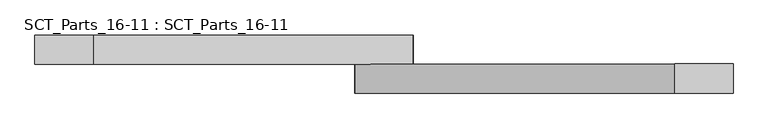
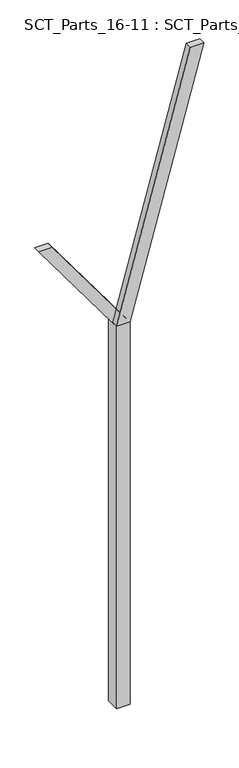
"""IFC4 building model written with IfcOpenShell, lengths in millimetres: proxy geometry, SCT_Parts_16-11 : SCT_Parts_16-11."""

import ifcopenshell
import ifcopenshell.guid

model = None  # the IFC model being written
_history = None  # IfcOwnerHistory: only IFC2X3 demands one
_inside = {}  # id of a spatial element -> (the spatial element, [elements in it])
_under = {}  # id of a project, library or spatial element -> (it, [spatial elements below it])
_declared = {}  # id of a project -> (the project, [libraries it declares])
_typed = {}  # id of a type object -> (the type object, [elements of that type])
_made_of = {}  # id of a material, layer set ... -> (it, [elements and type objects made of it])


def new_model(schema):
    """Start an empty IFC model of exactly this schema.

    Asked for "IFC4X3", IfcOpenShell would pick the latest addendum, in which some entities
    have other attributes; the version numbers below select the first issue.
    IFC2X3 requires an IfcOwnerHistory on every rooted entity: one is made here for all.
    """
    global model, _history
    if schema == "IFC4X3":
        model = ifcopenshell.file(schema_version=(4, 3, 0, 0))
    else:
        model = ifcopenshell.file(schema=schema)
    _inside.clear()
    _under.clear()
    _declared.clear()
    _typed.clear()
    _made_of.clear()
    _history = None
    if model.schema == "IFC2X3":
        org = make("IfcOrganization", Name="unknown")
        user = make(
            "IfcPersonAndOrganization",
            ThePerson=make("IfcPerson", FamilyName="unknown"),
            TheOrganization=org,
        )
        app = make(
            "IfcApplication",
            ApplicationDeveloper=org,
            Version="unknown",
            ApplicationFullName="unknown",
            ApplicationIdentifier="unknown",
        )
        _history = make(
            "IfcOwnerHistory",
            OwningUser=user,
            OwningApplication=app,
            ChangeAction="ADDED",
            CreationDate=0,
        )
    return model


def make(cls, **values):
    """One entity of the class cls with the attributes given. An attribute that is None is left unset."""
    return model.create_entity(
        cls, **{name: value for name, value in values.items() if value is not None}
    )


def rooted(cls, **values):
    """An entity with a GlobalId (a new one), such as an element, a storey or a relation."""
    return make(cls, GlobalId=ifcopenshell.guid.new(), OwnerHistory=_history, **values)


def si_unit(unit_type, name, prefix=None):
    """IfcSIUnit, for example si_unit("LENGTHUNIT", "METRE", prefix="MILLI")."""
    return make("IfcSIUnit", UnitType=unit_type, Prefix=prefix, Name=name)


def assignment(units):
    """IfcUnitAssignment: the units of a project."""
    return None if units is None else make("IfcUnitAssignment", Units=units)


def point(xyz):
    """IfcCartesianPoint."""
    return None if xyz is None else make("IfcCartesianPoint", Coordinates=xyz)


def direction(xyz):
    """IfcDirection."""
    return None if xyz is None else make("IfcDirection", DirectionRatios=xyz)


def frame(location, z_axis=None, x_axis=None):
    """IfcAxis2Placement3D, a coordinate frame: its origin and axes. An axis left out is left unset."""
    return make(
        "IfcAxis2Placement3D",
        Location=point(location),
        Axis=direction(z_axis),
        RefDirection=direction(x_axis),
    )


def origin():
    """The frame at (0, 0, 0) with its axes left unset."""
    return frame((0.0, 0.0, 0.0))


def origin_with_axes():
    """The frame at (0, 0, 0) with the z axis (0, 0, 1) and the x axis (1, 0, 0) written out."""
    return frame((0.0, 0.0, 0.0), z_axis=(0.0, 0.0, 1.0), x_axis=(1.0, 0.0, 0.0))


def place(relative_to, where):
    """IfcLocalPlacement: puts the frame where relative to a parent placement (None: the world)."""
    return make(
        "IfcLocalPlacement", PlacementRelTo=relative_to, RelativePlacement=where
    )


def context(
    kind, dimensions, precision=None, world=None, true_north=None, identifier=None
):
    """IfcGeometricRepresentationContext, for example the 3D "Model" context."""
    return make(
        "IfcGeometricRepresentationContext",
        ContextIdentifier=identifier,
        ContextType=kind,
        CoordinateSpaceDimension=dimensions,
        Precision=precision,
        WorldCoordinateSystem=world,
        TrueNorth=true_north,
    )


def project(units=None, contexts=None):
    """IfcProject with its units and contexts."""
    return rooted(
        "IfcProject",
        Name="project",
        RepresentationContexts=contexts,
        UnitsInContext=assignment(units),
    )


def spatial(cls, under=None, at=None, **own):
    """A site, building, storey or space (cls), placed at a placement, below another one or the project."""
    s = rooted(cls, ObjectPlacement=at, **own)
    if under is not None:
        _under.setdefault(under.id(), (under, []))[1].append(s)
    return s


def polyline(points):
    """IfcPolyline through the points."""
    return make("IfcPolyline", Points=[point(p) for p in points])


def outline(outer, holes=None, kind="AREA"):
    """IfcArbitraryClosedProfileDef: a profile drawn as a closed curve; with holes, ...WithVoids."""
    if holes is None:
        return make("IfcArbitraryClosedProfileDef", ProfileType=kind, OuterCurve=outer)
    return make(
        "IfcArbitraryProfileDefWithVoids",
        ProfileType=kind,
        OuterCurve=outer,
        InnerCurves=holes,
    )


def extrude(swept, where, along, depth):
    """IfcExtrudedAreaSolid: the profile swept, set in the frame where, extruded along a direction by depth."""
    return make(
        "IfcExtrudedAreaSolid",
        SweptArea=swept,
        Position=where,
        ExtrudedDirection=direction(along),
        Depth=depth,
    )


def shape(context_of_items, identifier, shape_type, items):
    """IfcShapeRepresentation: the items that make up one representation, for example the "Body"."""
    return make(
        "IfcShapeRepresentation",
        ContextOfItems=context_of_items,
        RepresentationIdentifier=identifier,
        RepresentationType=shape_type,
        Items=items,
    )


def source(mapping_origin, context_of_items, identifier, shape_type, items):
    """IfcRepresentationMap: a shape defined once, which mapped items show again and again."""
    return make(
        "IfcRepresentationMap",
        MappingOrigin=mapping_origin,
        MappedRepresentation=shape(context_of_items, identifier, shape_type, items),
    )


def transform(
    local_origin,
    x_axis=None,
    y_axis=None,
    z_axis=None,
    scale=None,
    scale2=None,
    scale3=None,
    uniform=True,
):
    """IfcCartesianTransformationOperator3D, or its non-uniform kind. x_axis, y_axis, z_axis: its Axis1, 2, 3."""
    if uniform:
        return make(
            "IfcCartesianTransformationOperator3D",
            Axis1=direction(x_axis),
            Axis2=direction(y_axis),
            LocalOrigin=point(local_origin),
            Scale=scale,
            Axis3=direction(z_axis),
        )
    return make(
        "IfcCartesianTransformationOperator3DnonUniform",
        Axis1=direction(x_axis),
        Axis2=direction(y_axis),
        LocalOrigin=point(local_origin),
        Scale=scale,
        Axis3=direction(z_axis),
        Scale2=scale2,
        Scale3=scale3,
    )


def mapped(mapping_source, mapping_target):
    """IfcMappedItem: shows the shape of a source again, moved by a transform."""
    return make(
        "IfcMappedItem", MappingSource=mapping_source, MappingTarget=mapping_target
    )


def made_of(thing, what):
    """Note that an element or type object is made of a material, layer set ...; save() writes the relation."""
    if what is not None:
        _made_of.setdefault(what.id(), (what, []))[1].append(thing)
    return thing


def element(
    cls,
    number,
    at=None,
    inside=None,
    cuts=None,
    type_object=None,
    material=None,
    context=None,
    identifier="Body",
    shape_type=None,
    held_by="IfcProductDefinitionShape",
    body=None,
    shapes=None,
    **own,
):
    """One element of the class cls, such as IfcWall. Its Tag is "e" and its number.

    at: its placement. inside: the storey or other place that contains it. cuts: it is an
    opening in that element (IfcRelVoidsElement). A single representation is given by context,
    identifier, shape_type and body (its items); several are given by shapes. held_by: the class
    of the entity that holds the representations. save() writes the other relations.
    """
    e = rooted(cls, Tag="e%d" % number, ObjectPlacement=at, **own)
    if body is not None:
        shapes = [shape(context, identifier, shape_type, body)]
    if shapes is not None:
        e.Representation = make(held_by, Representations=shapes)
    if inside is not None:
        _inside.setdefault(inside.id(), (inside, []))[1].append(e)
    if cuts is not None:
        rooted(
            "IfcRelVoidsElement", RelatingBuildingElement=cuts, RelatedOpeningElement=e
        )
    if type_object is not None:
        _typed.setdefault(type_object.id(), (type_object, []))[1].append(e)
    return made_of(e, material)


def aggregate(whole, parts):
    """IfcRelAggregates: a whole, such as a stair, and the parts it consists of."""
    return rooted("IfcRelAggregates", RelatingObject=whole, RelatedObjects=parts)


def save(model, path):
    """Write the relations noted so far, then the file.

    IfcRelAggregates (storeys below a building ...), IfcRelContainedInSpatialStructure (elements
    in a storey), IfcRelDefinesByType, IfcRelAssociatesMaterial and IfcRelDeclares: one each for
    every whole, place, type object, material and project.
    """
    for whole, parts in _under.values():
        aggregate(whole, parts)
    for where, things in _inside.values():
        rooted(
            "IfcRelContainedInSpatialStructure",
            RelatedElements=things,
            RelatingStructure=where,
        )
    for kind, things in _typed.values():
        rooted("IfcRelDefinesByType", RelatedObjects=things, RelatingType=kind)
    for what, things in _made_of.values():
        rooted("IfcRelAssociatesMaterial", RelatedObjects=things, RelatingMaterial=what)
    for by, libraries in _declared.values():
        rooted("IfcRelDeclares", RelatingContext=by, RelatedDefinitions=libraries)
    model.write(path)


def sct_parts_16_11_sct_parts_16_11_98228918(model_context):
    return source(origin(), model_context, "Body", "SweptSolid", [
        extrude(outline(polyline([(6000.0, 200.0), (10000.0, 1300.0), (10000.0, 1100.0), (6000.0, 0.0), (6000.0, 200.0)])), frame((0.0, -200.0, 0.0), z_axis=(0.0, 1.0, 0.0), x_axis=(0.0, 0.0, 1.0)), (0.0, 0.0, 1.0), 100.0),
        extrude(outline(polyline([(6000.0, 0.0), (6000.0, 200.0), (7500.0, -900.0), (7500.0, -1100.0), (6000.0, 0.0)])), frame((0.0, -100.0, 0.0), z_axis=(0.0, 1.0, 0.0), x_axis=(0.0, 0.0, 1.0)), (0.0, 0.0, 1.0), 100.0),
        extrude(outline(polyline([(200.0, -200.0), (0.0, -200.0), (0.0, 0.0), (200.0, 0.0), (200.0, -200.0)])), origin_with_axes(), (0.0, 0.0, 1.0), 6000.0),
    ])


if __name__ == "__main__":
    model = new_model("IFC4")
    model_context = context("Model", 3, world=origin())
    ifc_project = project(units=[si_unit("LENGTHUNIT", "METRE", prefix="MILLI")], contexts=[model_context])
    site = spatial("IfcSite", under=ifc_project)
    building = spatial("IfcBuilding", under=site)
    placement = place(None, origin())
    sct_parts_16_11_sct_parts_16_11_shape = sct_parts_16_11_sct_parts_16_11_98228918(model_context)
    element("IfcBuildingElementProxy", 1, Name="SCT_Parts_16-11 : SCT_Parts_16-11", ObjectType="SCT_Parts_16-11 : SCT_Parts_16-11", at=placement, inside=building, context=model_context, shape_type="MappedRepresentation", body=[
        mapped(sct_parts_16_11_sct_parts_16_11_shape, transform((0.0, 0.0, 0.0), x_axis=(1.0, 0.0, 0.0), y_axis=(0.0, 1.0, 0.0), z_axis=(0.0, 0.0, 1.0))),
    ])
    save(model, "model.ifc")
